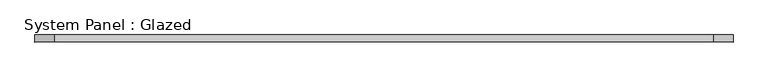
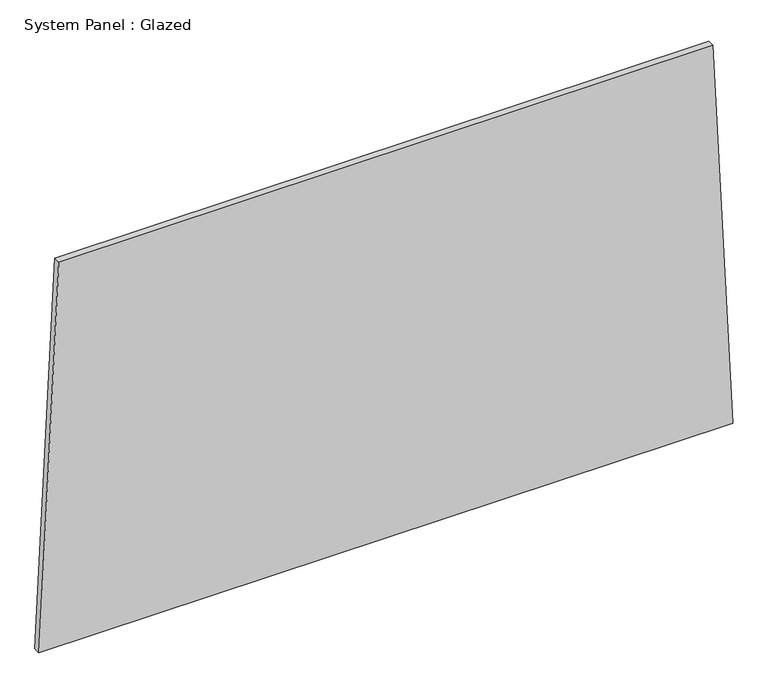
"""IFC4 building model written with IfcOpenShell, lengths in millimetres: plate geometry, System Panel : Glazed."""

from ifc_helpers import new_model, si_unit, frame, origin, place, context, project, spatial, polyline, outline, extrude, source, transform, mapped, element, save


def system_panel_glazed_3e169d6b(model_context):
    return source(origin(), model_context, "Body", "SweptSolid", [
        extrude(outline(polyline([(0.0, -1237.7662689), (0.0, 1237.7662689), (1448.2266901, 1167.2782736), (1448.226129, -1167.2733861), (0.0, -1237.7662689)])), frame((0.0, -49.5, 0.0), z_axis=(0.0, 1.0, 0.0), x_axis=(0.0, 0.0, 1.0)), (0.0, 0.0, 1.0), 25.0),
    ])


if __name__ == "__main__":
    model = new_model("IFC4")
    model_context = context("Model", 3, world=origin())
    ifc_project = project(units=[si_unit("LENGTHUNIT", "METRE", prefix="MILLI")], contexts=[model_context])
    site = spatial("IfcSite", under=ifc_project)
    building = spatial("IfcBuilding", under=site)
    placement = place(None, origin())
    system_panel_glazed_shape = system_panel_glazed_3e169d6b(model_context)
    element("IfcPlate", 1, ObjectType="System Panel : Glazed", at=placement, inside=building, context=model_context, shape_type="MappedRepresentation", body=[
        mapped(system_panel_glazed_shape, transform((0.0, 0.0, 0.0), x_axis=(1.0, 0.0, 0.0), y_axis=(0.0, 1.0, 0.0), z_axis=(0.0, 0.0, 1.0))),
    ])
    save(model, "model.ifc")
